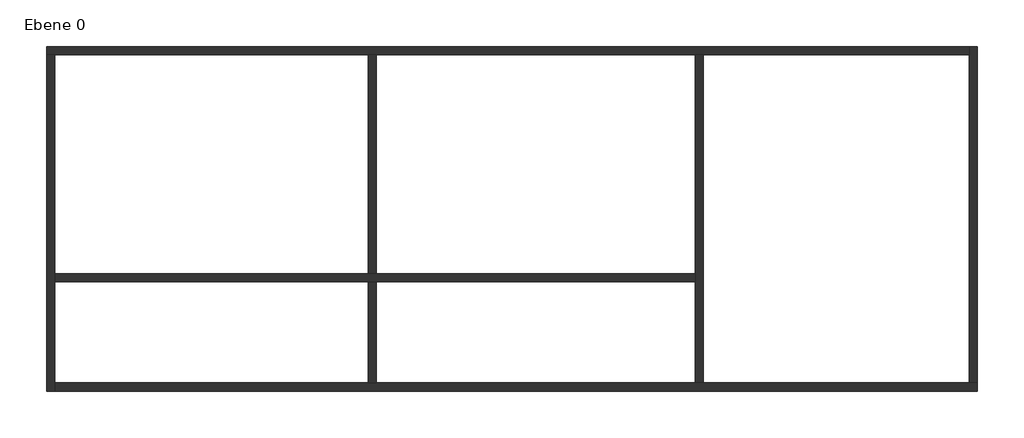
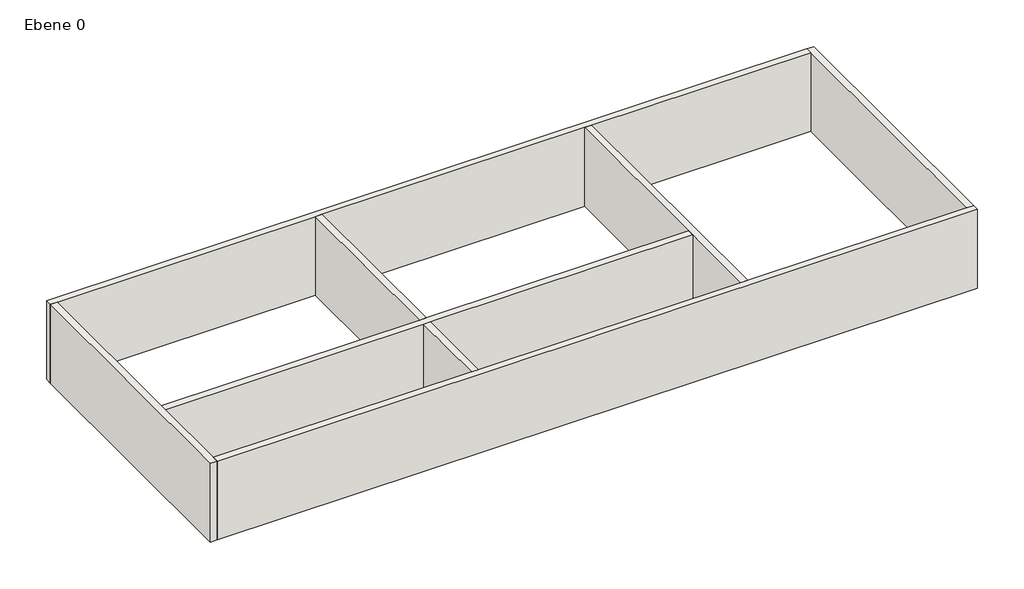
# One storey: 7 walls.
"""IFC4 building model written with IfcOpenShell, lengths in millimetres."""

import ifcopenshell
import ifcopenshell.guid

model = None  # the IFC model being written
_history = None  # IfcOwnerHistory: only IFC2X3 demands one
_inside = {}  # id of a spatial element -> (the spatial element, [elements in it])
_under = {}  # id of a project, library or spatial element -> (it, [spatial elements below it])
_declared = {}  # id of a project -> (the project, [libraries it declares])
_typed = {}  # id of a type object -> (the type object, [elements of that type])
_made_of = {}  # id of a material, layer set ... -> (it, [elements and type objects made of it])


def new_model(schema):
    """Start an empty IFC model of exactly this schema.

    Asked for "IFC4X3", IfcOpenShell would pick the latest addendum, in which some entities
    have other attributes; the version numbers below select the first issue.
    IFC2X3 requires an IfcOwnerHistory on every rooted entity: one is made here for all.
    """
    global model, _history
    if schema == "IFC4X3":
        model = ifcopenshell.file(schema_version=(4, 3, 0, 0))
    else:
        model = ifcopenshell.file(schema=schema)
    _inside.clear()
    _under.clear()
    _declared.clear()
    _typed.clear()
    _made_of.clear()
    _history = None
    if model.schema == "IFC2X3":
        org = make("IfcOrganization", Name="unknown")
        user = make(
            "IfcPersonAndOrganization",
            ThePerson=make("IfcPerson", FamilyName="unknown"),
            TheOrganization=org,
        )
        app = make(
            "IfcApplication",
            ApplicationDeveloper=org,
            Version="unknown",
            ApplicationFullName="unknown",
            ApplicationIdentifier="unknown",
        )
        _history = make(
            "IfcOwnerHistory",
            OwningUser=user,
            OwningApplication=app,
            ChangeAction="ADDED",
            CreationDate=0,
        )
    return model


def make(cls, **values):
    """One entity of the class cls with the attributes given. An attribute that is None is left unset."""
    return model.create_entity(
        cls, **{name: value for name, value in values.items() if value is not None}
    )


def rooted(cls, **values):
    """An entity with a GlobalId (a new one), such as an element, a storey or a relation."""
    return make(cls, GlobalId=ifcopenshell.guid.new(), OwnerHistory=_history, **values)


def si_unit(unit_type, name, prefix=None):
    """IfcSIUnit, for example si_unit("LENGTHUNIT", "METRE", prefix="MILLI")."""
    return make("IfcSIUnit", UnitType=unit_type, Prefix=prefix, Name=name)


def assignment(units):
    """IfcUnitAssignment: the units of a project."""
    return None if units is None else make("IfcUnitAssignment", Units=units)


def point(xyz):
    """IfcCartesianPoint."""
    return None if xyz is None else make("IfcCartesianPoint", Coordinates=xyz)


def direction(xyz):
    """IfcDirection."""
    return None if xyz is None else make("IfcDirection", DirectionRatios=xyz)


def frame(location, z_axis=None, x_axis=None):
    """IfcAxis2Placement3D, a coordinate frame: its origin and axes. An axis left out is left unset."""
    return make(
        "IfcAxis2Placement3D",
        Location=point(location),
        Axis=direction(z_axis),
        RefDirection=direction(x_axis),
    )


def origin():
    """The frame at (0, 0, 0) with its axes left unset."""
    return frame((0.0, 0.0, 0.0))


def origin_with_axes():
    """The frame at (0, 0, 0) with the z axis (0, 0, 1) and the x axis (1, 0, 0) written out."""
    return frame((0.0, 0.0, 0.0), z_axis=(0.0, 0.0, 1.0), x_axis=(1.0, 0.0, 0.0))


def place(relative_to, where):
    """IfcLocalPlacement: puts the frame where relative to a parent placement (None: the world)."""
    return make(
        "IfcLocalPlacement", PlacementRelTo=relative_to, RelativePlacement=where
    )


def context(
    kind, dimensions, precision=None, world=None, true_north=None, identifier=None
):
    """IfcGeometricRepresentationContext, for example the 3D "Model" context."""
    return make(
        "IfcGeometricRepresentationContext",
        ContextIdentifier=identifier,
        ContextType=kind,
        CoordinateSpaceDimension=dimensions,
        Precision=precision,
        WorldCoordinateSystem=world,
        TrueNorth=true_north,
    )


def project(units=None, contexts=None):
    """IfcProject with its units and contexts."""
    return rooted(
        "IfcProject",
        Name="project",
        RepresentationContexts=contexts,
        UnitsInContext=assignment(units),
    )


def spatial(cls, under=None, at=None, **own):
    """A site, building, storey or space (cls), placed at a placement, below another one or the project."""
    s = rooted(cls, ObjectPlacement=at, **own)
    if under is not None:
        _under.setdefault(under.id(), (under, []))[1].append(s)
    return s


def polyline(points):
    """IfcPolyline through the points."""
    return make("IfcPolyline", Points=[point(p) for p in points])


def outline(outer, holes=None, kind="AREA"):
    """IfcArbitraryClosedProfileDef: a profile drawn as a closed curve; with holes, ...WithVoids."""
    if holes is None:
        return make("IfcArbitraryClosedProfileDef", ProfileType=kind, OuterCurve=outer)
    return make(
        "IfcArbitraryProfileDefWithVoids",
        ProfileType=kind,
        OuterCurve=outer,
        InnerCurves=holes,
    )


def extrude(swept, where, along, depth):
    """IfcExtrudedAreaSolid: the profile swept, set in the frame where, extruded along a direction by depth."""
    return make(
        "IfcExtrudedAreaSolid",
        SweptArea=swept,
        Position=where,
        ExtrudedDirection=direction(along),
        Depth=depth,
    )


def faces_of(points, faces, orient=None, outer=None):
    """IfcFace entities. A face is a list of loops; a loop is a list of indices into points, from 0.

    orient and outer hold one flag for each loop. By default every Orientation is true, the
    first loop of a face is its IfcFaceOuterBound and the others are IfcFaceBound.
    """
    made = []
    for i, loops in enumerate(faces):
        bounds = []
        for j, loop in enumerate(loops):
            is_outer = j == 0 if outer is None else outer[i][j]
            bounds.append(
                make(
                    "IfcFaceOuterBound" if is_outer else "IfcFaceBound",
                    Bound=make("IfcPolyLoop", Polygon=[points[k] for k in loop]),
                    Orientation=True if orient is None else orient[i][j],
                )
            )
        made.append(make("IfcFace", Bounds=bounds))
    return made


def faceted_brep(points, faces, orient=None, outer=None, voids=None):
    """IfcFacetedBrep: a solid bounded by flat faces; with voids (closed shells), ...WithVoids."""
    shared = [point(p) for p in points]
    hull = make("IfcClosedShell", CfsFaces=faces_of(shared, faces, orient, outer))
    if voids is None:
        return make("IfcFacetedBrep", Outer=hull)
    return make(
        "IfcFacetedBrepWithVoids",
        Outer=hull,
        Voids=[
            make(cls, CfsFaces=faces_of(shared, fs, o, b)) for cls, fs, o, b in voids
        ],
    )


def shape(context_of_items, identifier, shape_type, items):
    """IfcShapeRepresentation: the items that make up one representation, for example the "Body"."""
    return make(
        "IfcShapeRepresentation",
        ContextOfItems=context_of_items,
        RepresentationIdentifier=identifier,
        RepresentationType=shape_type,
        Items=items,
    )


def made_of(thing, what):
    """Note that an element or type object is made of a material, layer set ...; save() writes the relation."""
    if what is not None:
        _made_of.setdefault(what.id(), (what, []))[1].append(thing)
    return thing


def element(
    cls,
    number,
    at=None,
    inside=None,
    cuts=None,
    type_object=None,
    material=None,
    context=None,
    identifier="Body",
    shape_type=None,
    held_by="IfcProductDefinitionShape",
    body=None,
    shapes=None,
    **own,
):
    """One element of the class cls, such as IfcWall. Its Tag is "e" and its number.

    at: its placement. inside: the storey or other place that contains it. cuts: it is an
    opening in that element (IfcRelVoidsElement). A single representation is given by context,
    identifier, shape_type and body (its items); several are given by shapes. held_by: the class
    of the entity that holds the representations. save() writes the other relations.
    """
    e = rooted(cls, Tag="e%d" % number, ObjectPlacement=at, **own)
    if body is not None:
        shapes = [shape(context, identifier, shape_type, body)]
    if shapes is not None:
        e.Representation = make(held_by, Representations=shapes)
    if inside is not None:
        _inside.setdefault(inside.id(), (inside, []))[1].append(e)
    if cuts is not None:
        rooted(
            "IfcRelVoidsElement", RelatingBuildingElement=cuts, RelatedOpeningElement=e
        )
    if type_object is not None:
        _typed.setdefault(type_object.id(), (type_object, []))[1].append(e)
    return made_of(e, material)


def aggregate(whole, parts):
    """IfcRelAggregates: a whole, such as a stair, and the parts it consists of."""
    return rooted("IfcRelAggregates", RelatingObject=whole, RelatedObjects=parts)


def save(model, path):
    """Write the relations noted so far, then the file.

    IfcRelAggregates (storeys below a building ...), IfcRelContainedInSpatialStructure (elements
    in a storey), IfcRelDefinesByType, IfcRelAssociatesMaterial and IfcRelDeclares: one each for
    every whole, place, type object, material and project.
    """
    for whole, parts in _under.values():
        aggregate(whole, parts)
    for where, things in _inside.values():
        rooted(
            "IfcRelContainedInSpatialStructure",
            RelatedElements=things,
            RelatingStructure=where,
        )
    for kind, things in _typed.values():
        rooted("IfcRelDefinesByType", RelatedObjects=things, RelatingType=kind)
    for what, things in _made_of.values():
        rooted("IfcRelAssociatesMaterial", RelatedObjects=things, RelatingMaterial=what)
    for by, libraries in _declared.values():
        rooted("IfcRelDeclares", RelatingContext=by, RelatedDefinitions=libraries)
    model.write(path)


model = new_model("IFC4")

# Units and contexts
model_context = context("Model", 3, world=origin())
ifc_project = project(units=[si_unit("LENGTHUNIT", "METRE", prefix="MILLI")], contexts=[model_context])

# Site, building, storey
site = spatial("IfcSite", under=ifc_project)
building = spatial("IfcBuilding", under=site)
storey = spatial("IfcBuildingStorey", under=building, Name="Ebene 0", Elevation=0.0)

# Walls
placement = place(None, origin())
element("IfcWall", 1, ObjectType="Ziegel 0.24 m", at=placement, inside=storey, context=model_context, shape_type="Brep", body=[
    faceted_brep([(-10475.5487997, 11717.9107583, 0.0), (-10235.5487997, 11717.9107583, 0.0), (-935.5487997, 11717.9107583, 0.0), (-695.5487997, 11717.9107583, 0.0), (8764.4512003, 11717.9107583, 0.0), (9004.4512003, 11717.9107583, 0.0), (16904.4512003, 11717.9107583, 0.0), (16904.4512003, 11717.9107583, 3000.0), (9004.4512003, 11717.9107583, 3000.0), (8764.4512003, 11717.9107583, 3000.0), (-695.5487997, 11717.9107583, 3000.0), (-935.5487997, 11717.9107583, 3000.0), (-10235.5487997, 11717.9107583, 3000.0), (-10475.5487997, 11717.9107583, 3000.0), (-10475.5487997, 11957.9107583, 0.0), (-10475.5487997, 11957.9107583, 3000.0), (16904.4512003, 11957.9107583, 3000.0), (16904.4512003, 11957.9107583, 0.0)], [[[0, 1, 2, 3, 4, 5, 6, 7, 8, 9, 10, 11, 12, 13]], [[14, 15, 16, 17]], [[6, 5, 4, 3, 2, 1, 0, 14, 17]], [[13, 12, 11, 10, 9, 8, 7, 16, 15]], [[0, 13, 15, 14]], [[7, 6, 17, 16]]]),
])
element("IfcWall", 2, ObjectType="Ziegel 0.24 m", at=placement, inside=storey, context=model_context, shape_type="Brep", body=[
    faceted_brep([(-10235.5487997, 1737.9107583, 0.0), (-10235.5487997, 1977.9107583, 0.0), (-10235.5487997, 4977.9107583, 0.0), (-10235.5487997, 5217.9107583, 0.0), (-10235.5487997, 11717.9107583, 0.0), (-10235.5487997, 11717.9107583, 3000.0), (-10235.5487997, 5217.9107583, 3000.0), (-10235.5487997, 4977.9107583, 3000.0), (-10235.5487997, 1977.9107583, 3000.0), (-10235.5487997, 1737.9107583, 3000.0), (-10475.5487997, 1737.9107583, 0.0), (-10475.5487997, 1737.9107583, 3000.0), (-10475.5487997, 11717.9107583, 3000.0), (-10475.5487997, 11717.9107583, 0.0)], [[[0, 1, 2, 3, 4, 5, 6, 7, 8, 9]], [[10, 11, 12, 13]], [[4, 3, 2, 1, 0, 10, 13]], [[9, 8, 7, 6, 5, 12, 11]], [[0, 9, 11, 10]], [[5, 4, 13, 12]]]),
])
element("IfcWall", 3, ObjectType="Ziegel 0.24 m", at=placement, inside=storey, context=model_context, shape_type="Brep", body=[
    faceted_brep([(17144.4512003, 1977.9107583, 0.0), (16904.4512003, 1977.9107583, 0.0), (9004.4512003, 1977.9107583, 0.0), (8764.4512003, 1977.9107583, 0.0), (-695.5487997, 1977.9107583, 0.0), (-935.5487997, 1977.9107583, 0.0), (-10235.5487997, 1977.9107583, 0.0), (-10235.5487997, 1977.9107583, 3000.0), (-935.5487997, 1977.9107583, 3000.0), (-695.5487997, 1977.9107583, 3000.0), (8764.4512003, 1977.9107583, 3000.0), (9004.4512003, 1977.9107583, 3000.0), (16904.4512003, 1977.9107583, 3000.0), (17144.4512003, 1977.9107583, 3000.0), (17144.4512003, 1737.9107583, 0.0), (17144.4512003, 1737.9107583, 3000.0), (-10235.5487997, 1737.9107583, 3000.0), (-10235.5487997, 1737.9107583, 0.0)], [[[0, 1, 2, 3, 4, 5, 6, 7, 8, 9, 10, 11, 12, 13]], [[14, 15, 16, 17]], [[6, 5, 4, 3, 2, 1, 0, 14, 17]], [[13, 12, 11, 10, 9, 8, 7, 16, 15]], [[0, 13, 15, 14]], [[7, 6, 17, 16]]]),
])
element("IfcWall", 4, ObjectType="Ziegel 0.24 m", at=placement, inside=storey, context=model_context, shape_type="Brep", body=[
    faceted_brep([(16904.4512003, 11957.9107583, 0.0), (16904.4512003, 11717.9107583, 0.0), (16904.4512003, 1977.9107583, 0.0), (16904.4512003, 1977.9107583, 3000.0), (16904.4512003, 11717.9107583, 3000.0), (16904.4512003, 11957.9107583, 3000.0), (17144.4512003, 11957.9107583, 0.0), (17144.4512003, 11957.9107583, 3000.0), (17144.4512003, 1977.9107583, 3000.0), (17144.4512003, 1977.9107583, 0.0)], [[[0, 1, 2, 3, 4, 5]], [[6, 7, 8, 9]], [[2, 1, 0, 6, 9]], [[5, 4, 3, 8, 7]], [[0, 5, 7, 6]], [[3, 2, 9, 8]]]),
])
element("IfcWall", 5, ObjectType="Ziegel 0.24 m", at=placement, inside=storey, context=model_context, shape_type="Brep", body=[
    faceted_brep([(9004.4512003, 1977.9107583, 0.0), (9004.4512003, 11717.9107583, 0.0), (9004.4512003, 11717.9107583, 3000.0), (9004.4512003, 1977.9107583, 3000.0), (8764.4512003, 1977.9107583, 0.0), (8764.4512003, 1977.9107583, 3000.0), (8764.4512003, 4977.9107583, 3000.0), (8764.4512003, 5217.9107583, 3000.0), (8764.4512003, 11717.9107583, 3000.0), (8764.4512003, 11717.9107583, 0.0), (8764.4512003, 5217.9107583, 0.0), (8764.4512003, 4977.9107583, 0.0)], [[[0, 1, 2, 3]], [[4, 5, 6, 7, 8, 9, 10, 11]], [[1, 0, 4, 11, 10, 9]], [[3, 2, 8, 7, 6, 5]], [[2, 1, 9, 8]], [[0, 3, 5, 4]]]),
])
element("IfcWall", 6, ObjectType="Ziegel 0.24 m", at=placement, inside=storey, context=model_context, shape_type="Brep", body=[
    faceted_brep([(8764.4512003, 5217.9107583, 0.0), (-695.5487997, 5217.9107583, 0.0), (-935.5487997, 5217.9107583, 0.0), (-10235.5487997, 5217.9107583, 0.0), (-10235.5487997, 5217.9107583, 3000.0), (-935.5487997, 5217.9107583, 3000.0), (-695.5487997, 5217.9107583, 3000.0), (8764.4512003, 5217.9107583, 3000.0), (8764.4512003, 4977.9107583, 0.0), (8764.4512003, 4977.9107583, 3000.0), (-695.5487997, 4977.9107583, 3000.0), (-935.5487997, 4977.9107583, 3000.0), (-10235.5487997, 4977.9107583, 3000.0), (-10235.5487997, 4977.9107583, 0.0), (-935.5487997, 4977.9107583, 0.0), (-695.5487997, 4977.9107583, 0.0)], [[[0, 1, 2, 3, 4, 5, 6, 7]], [[8, 9, 10, 11, 12, 13, 14, 15]], [[3, 2, 1, 0, 8, 15, 14, 13]], [[7, 6, 5, 4, 12, 11, 10, 9]], [[0, 7, 9, 8]], [[4, 3, 13, 12]]]),
])
element("IfcWall", 7, ObjectType="Ziegel 0.24 m", at=placement, inside=storey, context=model_context, shape_type="SweptSolid", body=[
    extrude(outline(polyline([(-935.5487997, 11717.9107583), (-695.5487997, 11717.9107583), (-695.5487997, 5217.9107583), (-935.5487997, 5217.9107583), (-935.5487997, 11717.9107583)])), origin_with_axes(), (0.0, 0.0, 1.0), 3000.0),
    extrude(outline(polyline([(-695.5487997, 1977.9107583), (-935.5487997, 1977.9107583), (-935.5487997, 4977.9107583), (-695.5487997, 4977.9107583), (-695.5487997, 1977.9107583)])), origin_with_axes(), (0.0, 0.0, 1.0), 3000.0),
])

save(model, "model.ifc")
